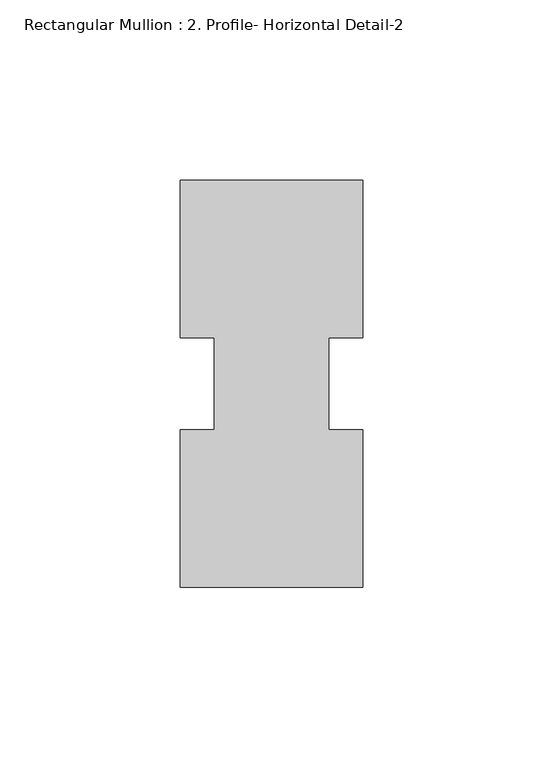
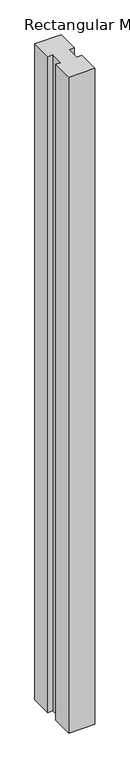
"""IFC4 building model written with IfcOpenShell, lengths in millimetres: member geometry, Rectangular Mullion : 2. Profile- Horizontal Detail-2."""

from ifc_helpers import new_model, si_unit, frame, origin, place, context, project, spatial, polyline, outline, extrude, source, transform, mapped, element, save


def rectangular_mullion_2_profile_horizontal_detail_2_bbe94eb8(model_context):
    return source(origin(), model_context, "Body", "SweptSolid", [
        extrude(outline(polyline([(25.41905, 12.7295207), (15.875, 12.7295207), (15.875, -12.7581776), (25.4, -12.7581776), (25.4, -56.5435115), (-25.4, -56.5435115), (-25.4, -12.7581776), (-15.8750055, -12.7581776), (-15.8750055, 12.7295207), (-25.4, 12.7295207), (-25.4, 56.5372885), (25.41905, 56.5372885), (25.41905, 12.7295207)])), frame((0.0, 0.0, -1339.85), z_axis=(0.0, 0.0, 1.0), x_axis=(1.0, 0.0, 0.0)), (0.0, 0.0, 1.0), 1339.85),
    ])


if __name__ == "__main__":
    model = new_model("IFC4")
    model_context = context("Model", 3, world=origin())
    ifc_project = project(units=[si_unit("LENGTHUNIT", "METRE", prefix="MILLI")], contexts=[model_context])
    site = spatial("IfcSite", under=ifc_project)
    building = spatial("IfcBuilding", under=site)
    placement = place(None, origin())
    rectangular_mullion_2_profile_horizontal_detail_2_shape = rectangular_mullion_2_profile_horizontal_detail_2_bbe94eb8(model_context)
    element("IfcMember", 1, ObjectType="Rectangular Mullion : 2. Profile- Horizontal Detail-2", at=placement, inside=building, context=model_context, shape_type="MappedRepresentation", body=[
        mapped(rectangular_mullion_2_profile_horizontal_detail_2_shape, transform((0.0, 0.0, 0.0), x_axis=(1.0, 0.0, 0.0), y_axis=(0.0, 1.0, 0.0), z_axis=(0.0, 0.0, 1.0))),
    ])
    save(model, "model.ifc")
